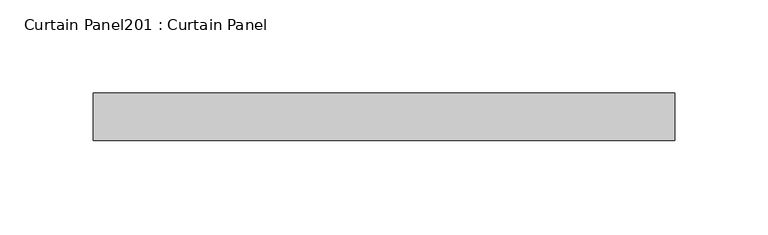
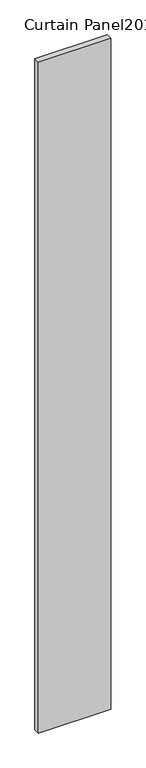
"""IFC4 building model written with IfcOpenShell, lengths in millimetres: plate geometry, Curtain Panel201 : Curtain Panel."""

import ifcopenshell
import ifcopenshell.guid

model = None  # the IFC model being written
_history = None  # IfcOwnerHistory: only IFC2X3 demands one
_inside = {}  # id of a spatial element -> (the spatial element, [elements in it])
_under = {}  # id of a project, library or spatial element -> (it, [spatial elements below it])
_declared = {}  # id of a project -> (the project, [libraries it declares])
_typed = {}  # id of a type object -> (the type object, [elements of that type])
_made_of = {}  # id of a material, layer set ... -> (it, [elements and type objects made of it])


def new_model(schema):
    """Start an empty IFC model of exactly this schema.

    Asked for "IFC4X3", IfcOpenShell would pick the latest addendum, in which some entities
    have other attributes; the version numbers below select the first issue.
    IFC2X3 requires an IfcOwnerHistory on every rooted entity: one is made here for all.
    """
    global model, _history
    if schema == "IFC4X3":
        model = ifcopenshell.file(schema_version=(4, 3, 0, 0))
    else:
        model = ifcopenshell.file(schema=schema)
    _inside.clear()
    _under.clear()
    _declared.clear()
    _typed.clear()
    _made_of.clear()
    _history = None
    if model.schema == "IFC2X3":
        org = make("IfcOrganization", Name="unknown")
        user = make(
            "IfcPersonAndOrganization",
            ThePerson=make("IfcPerson", FamilyName="unknown"),
            TheOrganization=org,
        )
        app = make(
            "IfcApplication",
            ApplicationDeveloper=org,
            Version="unknown",
            ApplicationFullName="unknown",
            ApplicationIdentifier="unknown",
        )
        _history = make(
            "IfcOwnerHistory",
            OwningUser=user,
            OwningApplication=app,
            ChangeAction="ADDED",
            CreationDate=0,
        )
    return model


def make(cls, **values):
    """One entity of the class cls with the attributes given. An attribute that is None is left unset."""
    return model.create_entity(
        cls, **{name: value for name, value in values.items() if value is not None}
    )


def rooted(cls, **values):
    """An entity with a GlobalId (a new one), such as an element, a storey or a relation."""
    return make(cls, GlobalId=ifcopenshell.guid.new(), OwnerHistory=_history, **values)


def si_unit(unit_type, name, prefix=None):
    """IfcSIUnit, for example si_unit("LENGTHUNIT", "METRE", prefix="MILLI")."""
    return make("IfcSIUnit", UnitType=unit_type, Prefix=prefix, Name=name)


def assignment(units):
    """IfcUnitAssignment: the units of a project."""
    return None if units is None else make("IfcUnitAssignment", Units=units)


def point(xyz):
    """IfcCartesianPoint."""
    return None if xyz is None else make("IfcCartesianPoint", Coordinates=xyz)


def direction(xyz):
    """IfcDirection."""
    return None if xyz is None else make("IfcDirection", DirectionRatios=xyz)


def frame(location, z_axis=None, x_axis=None):
    """IfcAxis2Placement3D, a coordinate frame: its origin and axes. An axis left out is left unset."""
    return make(
        "IfcAxis2Placement3D",
        Location=point(location),
        Axis=direction(z_axis),
        RefDirection=direction(x_axis),
    )


def origin():
    """The frame at (0, 0, 0) with its axes left unset."""
    return frame((0.0, 0.0, 0.0))


def place(relative_to, where):
    """IfcLocalPlacement: puts the frame where relative to a parent placement (None: the world)."""
    return make(
        "IfcLocalPlacement", PlacementRelTo=relative_to, RelativePlacement=where
    )


def context(
    kind, dimensions, precision=None, world=None, true_north=None, identifier=None
):
    """IfcGeometricRepresentationContext, for example the 3D "Model" context."""
    return make(
        "IfcGeometricRepresentationContext",
        ContextIdentifier=identifier,
        ContextType=kind,
        CoordinateSpaceDimension=dimensions,
        Precision=precision,
        WorldCoordinateSystem=world,
        TrueNorth=true_north,
    )


def project(units=None, contexts=None):
    """IfcProject with its units and contexts."""
    return rooted(
        "IfcProject",
        Name="project",
        RepresentationContexts=contexts,
        UnitsInContext=assignment(units),
    )


def spatial(cls, under=None, at=None, **own):
    """A site, building, storey or space (cls), placed at a placement, below another one or the project."""
    s = rooted(cls, ObjectPlacement=at, **own)
    if under is not None:
        _under.setdefault(under.id(), (under, []))[1].append(s)
    return s


def polyline(points):
    """IfcPolyline through the points."""
    return make("IfcPolyline", Points=[point(p) for p in points])


def outline(outer, holes=None, kind="AREA"):
    """IfcArbitraryClosedProfileDef: a profile drawn as a closed curve; with holes, ...WithVoids."""
    if holes is None:
        return make("IfcArbitraryClosedProfileDef", ProfileType=kind, OuterCurve=outer)
    return make(
        "IfcArbitraryProfileDefWithVoids",
        ProfileType=kind,
        OuterCurve=outer,
        InnerCurves=holes,
    )


def extrude(swept, where, along, depth):
    """IfcExtrudedAreaSolid: the profile swept, set in the frame where, extruded along a direction by depth."""
    return make(
        "IfcExtrudedAreaSolid",
        SweptArea=swept,
        Position=where,
        ExtrudedDirection=direction(along),
        Depth=depth,
    )


def shape(context_of_items, identifier, shape_type, items):
    """IfcShapeRepresentation: the items that make up one representation, for example the "Body"."""
    return make(
        "IfcShapeRepresentation",
        ContextOfItems=context_of_items,
        RepresentationIdentifier=identifier,
        RepresentationType=shape_type,
        Items=items,
    )


def source(mapping_origin, context_of_items, identifier, shape_type, items):
    """IfcRepresentationMap: a shape defined once, which mapped items show again and again."""
    return make(
        "IfcRepresentationMap",
        MappingOrigin=mapping_origin,
        MappedRepresentation=shape(context_of_items, identifier, shape_type, items),
    )


def transform(
    local_origin,
    x_axis=None,
    y_axis=None,
    z_axis=None,
    scale=None,
    scale2=None,
    scale3=None,
    uniform=True,
):
    """IfcCartesianTransformationOperator3D, or its non-uniform kind. x_axis, y_axis, z_axis: its Axis1, 2, 3."""
    if uniform:
        return make(
            "IfcCartesianTransformationOperator3D",
            Axis1=direction(x_axis),
            Axis2=direction(y_axis),
            LocalOrigin=point(local_origin),
            Scale=scale,
            Axis3=direction(z_axis),
        )
    return make(
        "IfcCartesianTransformationOperator3DnonUniform",
        Axis1=direction(x_axis),
        Axis2=direction(y_axis),
        LocalOrigin=point(local_origin),
        Scale=scale,
        Axis3=direction(z_axis),
        Scale2=scale2,
        Scale3=scale3,
    )


def mapped(mapping_source, mapping_target):
    """IfcMappedItem: shows the shape of a source again, moved by a transform."""
    return make(
        "IfcMappedItem", MappingSource=mapping_source, MappingTarget=mapping_target
    )


def made_of(thing, what):
    """Note that an element or type object is made of a material, layer set ...; save() writes the relation."""
    if what is not None:
        _made_of.setdefault(what.id(), (what, []))[1].append(thing)
    return thing


def element(
    cls,
    number,
    at=None,
    inside=None,
    cuts=None,
    type_object=None,
    material=None,
    context=None,
    identifier="Body",
    shape_type=None,
    held_by="IfcProductDefinitionShape",
    body=None,
    shapes=None,
    **own,
):
    """One element of the class cls, such as IfcWall. Its Tag is "e" and its number.

    at: its placement. inside: the storey or other place that contains it. cuts: it is an
    opening in that element (IfcRelVoidsElement). A single representation is given by context,
    identifier, shape_type and body (its items); several are given by shapes. held_by: the class
    of the entity that holds the representations. save() writes the other relations.
    """
    e = rooted(cls, Tag="e%d" % number, ObjectPlacement=at, **own)
    if body is not None:
        shapes = [shape(context, identifier, shape_type, body)]
    if shapes is not None:
        e.Representation = make(held_by, Representations=shapes)
    if inside is not None:
        _inside.setdefault(inside.id(), (inside, []))[1].append(e)
    if cuts is not None:
        rooted(
            "IfcRelVoidsElement", RelatingBuildingElement=cuts, RelatedOpeningElement=e
        )
    if type_object is not None:
        _typed.setdefault(type_object.id(), (type_object, []))[1].append(e)
    return made_of(e, material)


def aggregate(whole, parts):
    """IfcRelAggregates: a whole, such as a stair, and the parts it consists of."""
    return rooted("IfcRelAggregates", RelatingObject=whole, RelatedObjects=parts)


def save(model, path):
    """Write the relations noted so far, then the file.

    IfcRelAggregates (storeys below a building ...), IfcRelContainedInSpatialStructure (elements
    in a storey), IfcRelDefinesByType, IfcRelAssociatesMaterial and IfcRelDeclares: one each for
    every whole, place, type object, material and project.
    """
    for whole, parts in _under.values():
        aggregate(whole, parts)
    for where, things in _inside.values():
        rooted(
            "IfcRelContainedInSpatialStructure",
            RelatedElements=things,
            RelatingStructure=where,
        )
    for kind, things in _typed.values():
        rooted("IfcRelDefinesByType", RelatedObjects=things, RelatingType=kind)
    for what, things in _made_of.values():
        rooted("IfcRelAssociatesMaterial", RelatedObjects=things, RelatingMaterial=what)
    for by, libraries in _declared.values():
        rooted("IfcRelDeclares", RelatingContext=by, RelatedDefinitions=libraries)
    model.write(path)


def curtain_panel201_curtain_panel_bbe0ce57(model_context):
    return source(origin(), model_context, "Body", "SweptSolid", [
        extrude(outline(polyline([(608969.9390981, 2952.7975836), (608658.4156886, 2952.7975836), (608658.4156886, 2978.1975836), (608969.9390981, 2978.1975836), (608969.9390981, 2952.7975836)])), frame((0.0, 0.0, 4959.7989371), z_axis=(0.0, 0.0, 1.0), x_axis=(1.0, 0.0, 0.0)), (0.0, 0.0, 1.0), 3048.0),
    ])


if __name__ == "__main__":
    model = new_model("IFC4")
    model_context = context("Model", 3, world=origin())
    ifc_project = project(units=[si_unit("LENGTHUNIT", "METRE", prefix="MILLI")], contexts=[model_context])
    site = spatial("IfcSite", under=ifc_project)
    building = spatial("IfcBuilding", under=site)
    placement = place(None, origin())
    curtain_panel201_curtain_panel_shape = curtain_panel201_curtain_panel_bbe0ce57(model_context)
    element("IfcPlate", 1, ObjectType="Curtain Panel201 : Curtain Panel", at=placement, inside=building, context=model_context, shape_type="MappedRepresentation", body=[
        mapped(curtain_panel201_curtain_panel_shape, transform((0.0, 0.0, 0.0), x_axis=(1.0, 0.0, 0.0), y_axis=(0.0, 1.0, 0.0), z_axis=(0.0, 0.0, 1.0))),
    ])
    save(model, "model.ifc")
